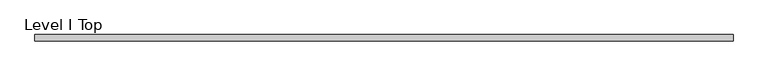
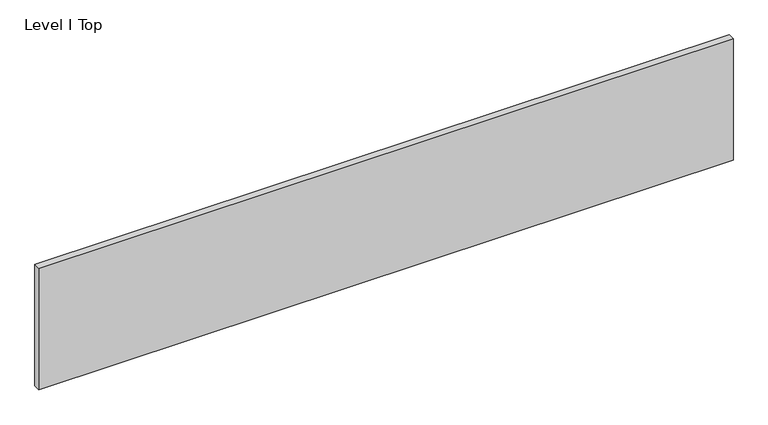
"""IFC4 building model written with IfcOpenShell, lengths in millimetres: proxy geometry, Level I Top."""

from ifc_helpers import new_model, si_unit, frame, origin, place, context, project, spatial, polyline, outline, extrude, source, transform, mapped, element, save


def level_i_top_83d707e0(model_context):
    return source(origin(), model_context, "Body", "SweptSolid", [
        extrude(outline(polyline([(1012.8305563, 9.525), (1012.8305563, -9.525), (-1012.8305562, -9.525), (-1012.8305562, 9.525), (1012.8305563, 9.525)])), frame((0.0, 0.0, 3.175), z_axis=(0.0, 0.0, 1.0), x_axis=(1.0, 0.0, 0.0)), (0.0, 0.0, 1.0), 374.65),
    ])


if __name__ == "__main__":
    model = new_model("IFC4")
    model_context = context("Model", 3, world=origin())
    ifc_project = project(units=[si_unit("LENGTHUNIT", "METRE", prefix="MILLI")], contexts=[model_context])
    site = spatial("IfcSite", under=ifc_project)
    building = spatial("IfcBuilding", under=site)
    placement = place(None, origin())
    level_i_top_shape = level_i_top_83d707e0(model_context)
    element("IfcBuildingElementProxy", 1, Name="Level I Top", ObjectType="Level I Top", at=placement, inside=building, context=model_context, shape_type="MappedRepresentation", body=[
        mapped(level_i_top_shape, transform((0.0, 0.0, 0.0), x_axis=(1.0, 0.0, 0.0), y_axis=(0.0, 1.0, 0.0), z_axis=(0.0, 0.0, 1.0))),
    ])
    save(model, "model.ifc")
